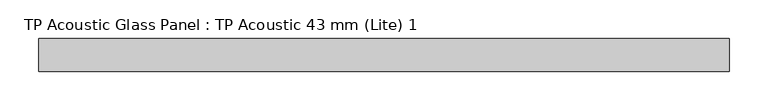
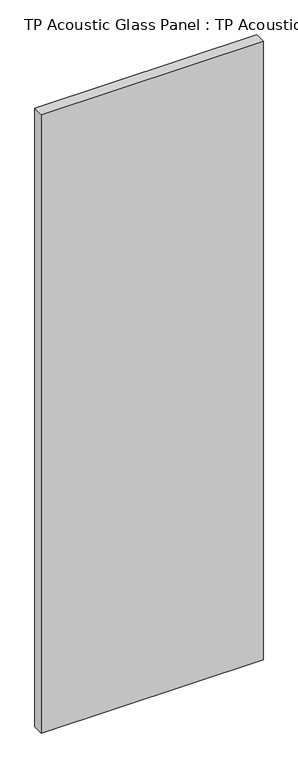
"""IFC4 building model written with IfcOpenShell, lengths in millimetres: plate geometry, TP Acoustic Glass Panel : TP Acoustic 43 mm (Lite) 1."""

from ifc_helpers import new_model, si_unit, origin, origin_with_axes, place, context, project, spatial, polyline, outline, extrude, source, transform, mapped, element, save


def tp_acoustic_glass_panel_tp_acoustic_43_mm_lite_1_6cf0b0f4(model_context):
    return source(origin(), model_context, "Body", "SweptSolid", [
        extrude(outline(polyline([(446.0, -21.5), (-446.0, -21.5), (-446.0, 21.5), (446.0, 21.5), (446.0, -21.5)])), origin_with_axes(), (0.0, 0.0, 1.0), 2628.0),
    ])


if __name__ == "__main__":
    model = new_model("IFC4")
    model_context = context("Model", 3, world=origin())
    ifc_project = project(units=[si_unit("LENGTHUNIT", "METRE", prefix="MILLI")], contexts=[model_context])
    site = spatial("IfcSite", under=ifc_project)
    building = spatial("IfcBuilding", under=site)
    placement = place(None, origin())
    tp_acoustic_glass_panel_tp_acoustic_43_mm_lite_1_shape = tp_acoustic_glass_panel_tp_acoustic_43_mm_lite_1_6cf0b0f4(model_context)
    element("IfcPlate", 1, ObjectType="TP Acoustic Glass Panel : TP Acoustic 43 mm (Lite) 1", at=placement, inside=building, context=model_context, shape_type="MappedRepresentation", body=[
        mapped(tp_acoustic_glass_panel_tp_acoustic_43_mm_lite_1_shape, transform((0.0, 0.0, 0.0), x_axis=(1.0, 0.0, 0.0), y_axis=(0.0, 1.0, 0.0), z_axis=(0.0, 0.0, 1.0))),
    ])
    save(model, "model.ifc")
